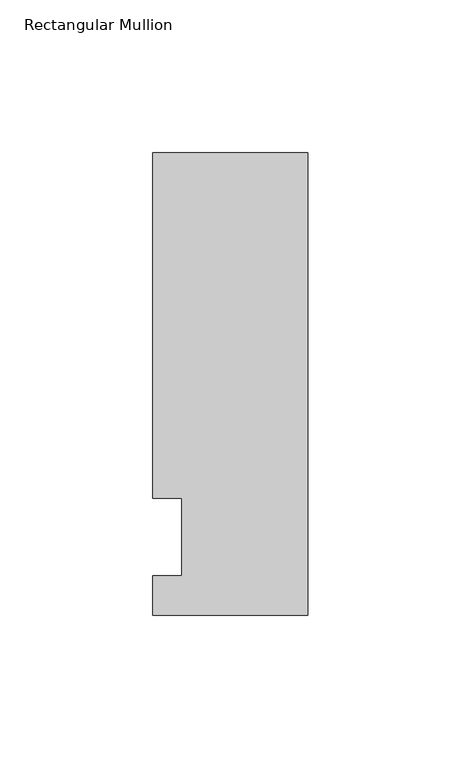
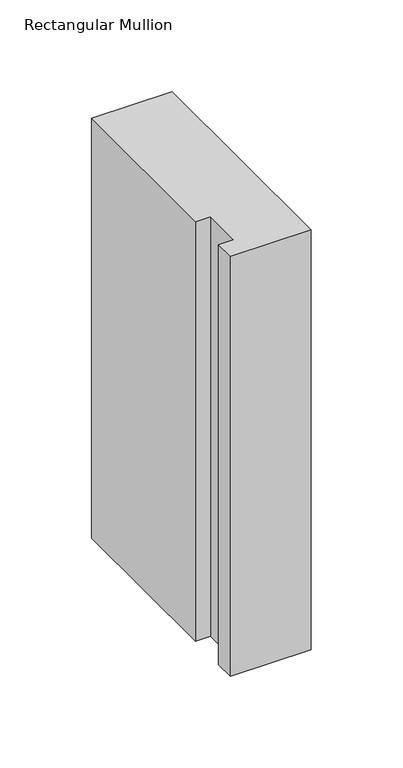
"""IFC4 building model written with IfcOpenShell, lengths in millimetres: member geometry, Rectangular Mullion."""

from ifc_helpers import new_model, si_unit, frame, origin, place, context, project, spatial, polyline, outline, extrude, source, transform, mapped, element, save


def rectangular_mullion_d94a7a5a(model_context):
    return source(origin(), model_context, "Body", "SweptSolid", [
        extrude(outline(polyline([(-50.8, -25.5827379), (-50.8, -12.7), (-41.275, -12.7), (-41.275, 12.7), (-50.8, 12.7), (-50.8, 125.8533), (0.0, 125.8533), (0.0, -25.5827379), (-50.8, -25.5827379)])), frame((0.0, 0.0, -279.4), z_axis=(0.0, 0.0, 1.0), x_axis=(1.0, 0.0, 0.0)), (0.0, 0.0, 1.0), 279.4),
    ])


if __name__ == "__main__":
    model = new_model("IFC4")
    model_context = context("Model", 3, world=origin())
    ifc_project = project(units=[si_unit("LENGTHUNIT", "METRE", prefix="MILLI")], contexts=[model_context])
    site = spatial("IfcSite", under=ifc_project)
    building = spatial("IfcBuilding", under=site)
    placement = place(None, origin())
    rectangular_mullion_shape = rectangular_mullion_d94a7a5a(model_context)
    element("IfcMember", 1, ObjectType="Rectangular Mullion", at=placement, inside=building, context=model_context, shape_type="MappedRepresentation", body=[
        mapped(rectangular_mullion_shape, transform((0.0, 0.0, 0.0), x_axis=(1.0, 0.0, 0.0), y_axis=(0.0, 1.0, 0.0), z_axis=(0.0, 0.0, 1.0))),
    ])
    save(model, "model.ifc")
